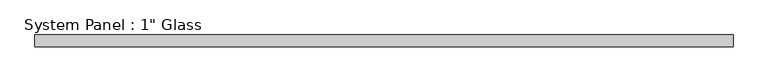
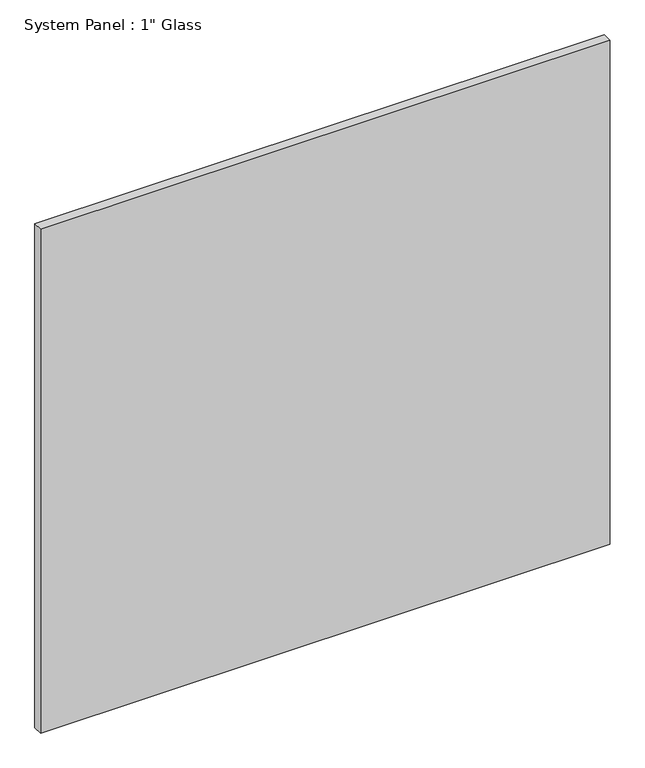
"""IFC4 building model written with IfcOpenShell, lengths in millimetres: plate geometry."""

from ifc_helpers import new_model, si_unit, origin, origin_with_axes, place, context, project, spatial, polyline, outline, extrude, source, transform, mapped, element, save


def plate_d9548aca(model_context):
    return source(origin(), model_context, "Body", "SweptSolid", [
        extrude(outline(polyline([(742.9508852, -12.7), (-742.9508852, -12.7), (-742.9508852, 12.7), (742.9508852, 12.7), (742.9508852, -12.7)])), origin_with_axes(), (0.0, 0.0, 1.0), 1388.8591382),
    ])


if __name__ == "__main__":
    model = new_model("IFC4")
    model_context = context("Model", 3, world=origin())
    ifc_project = project(units=[si_unit("LENGTHUNIT", "METRE", prefix="MILLI")], contexts=[model_context])
    site = spatial("IfcSite", under=ifc_project)
    building = spatial("IfcBuilding", under=site)
    placement = place(None, origin())
    plate_shape = plate_d9548aca(model_context)
    element("IfcPlate", 1, ObjectType="System Panel : 1\" Glass", at=placement, inside=building, context=model_context, shape_type="MappedRepresentation", body=[
        mapped(plate_shape, transform((0.0, 0.0, 0.0), x_axis=(1.0, 0.0, 0.0), y_axis=(0.0, 1.0, 0.0), z_axis=(0.0, 0.0, 1.0))),
    ])
    save(model, "model.ifc")
